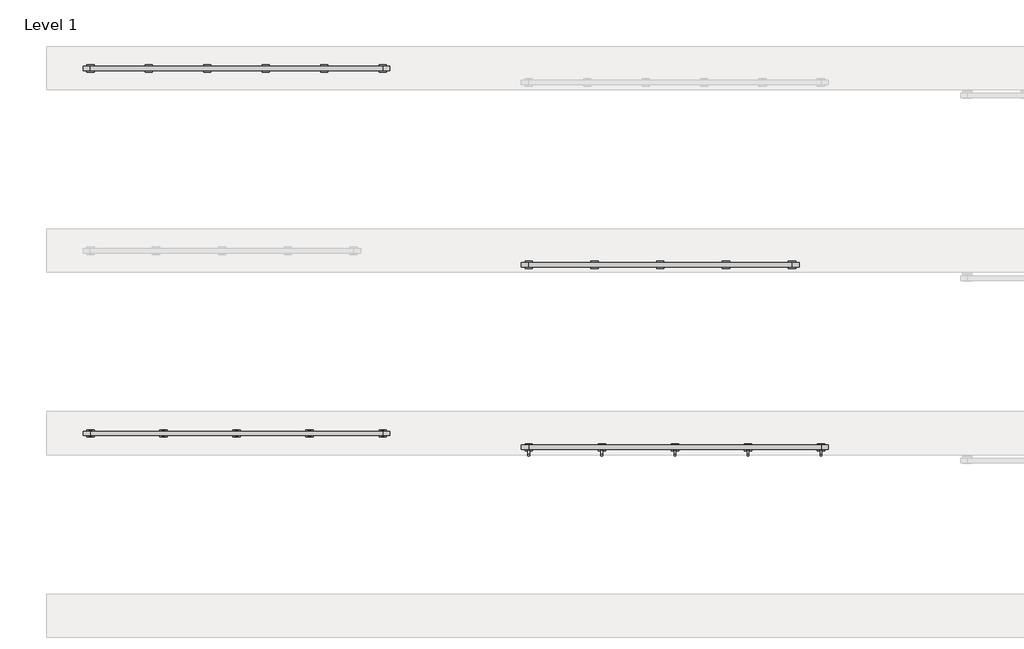
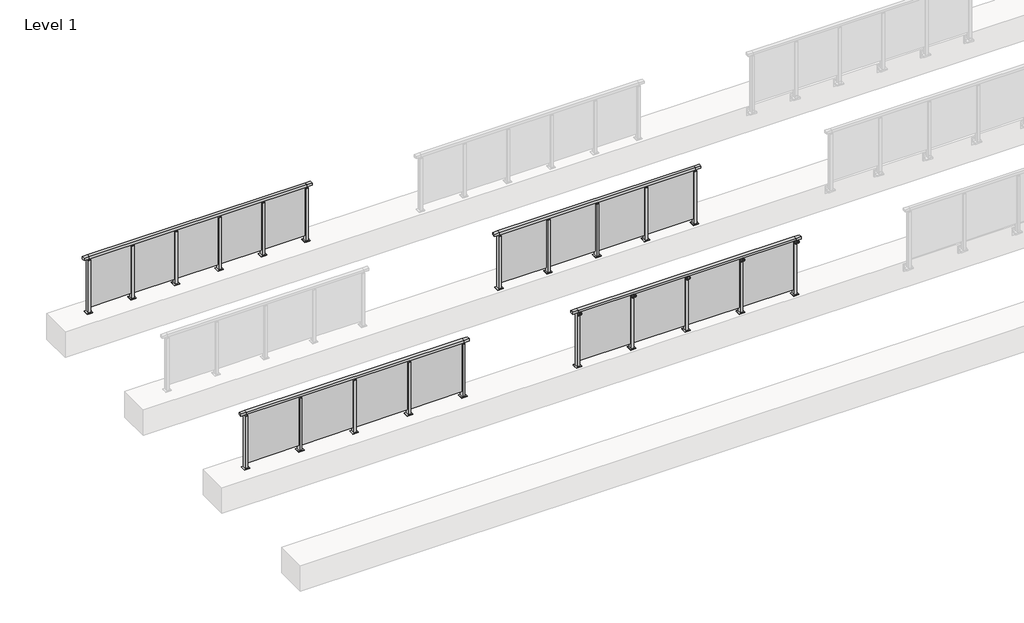
# One storey, part 19 of 37: 4 railings.
"""IFC4 building model written with IfcOpenShell, lengths in millimetres."""

from ifc_helpers import new_model, si_unit, point, frame, frame_2d, origin, origin_with_axes, place, context, project, spatial, polyline, circle_curve, trimmed, segment, composite_curve, outline, extrude, faceted_brep, element, save

model = new_model("IFC4")

# Units and contexts
model_context = context("Model", 3, world=origin())
ifc_project = project(units=[si_unit("LENGTHUNIT", "METRE", prefix="MILLI")], contexts=[model_context])

# Site, building, storey
site = spatial("IfcSite", under=ifc_project)
building = spatial("IfcBuilding", under=site)
storey = spatial("IfcBuildingStorey", under=building, Name="Level 1", Elevation=0.0)

# Railings
placement = place(None, origin())
element("IfcRailing", 1, at=placement, inside=storey, context=model_context, shape_type="SolidModel", body=[
    faceted_brep([(29900.0, 17720.1846828, 1100.0), (29900.0, 17720.1846828, 1055.0), (29900.0, 17660.1846828, 1055.0), (29900.0, 17660.1846828, 1100.0), (30000.0, 17720.1846828, 1100.0), (30000.0, 17720.1846828, 1055.0), (30000.0, 17660.1846828, 1055.0), (30000.0, 17660.1846828, 1100.0), (34000.0, 17720.1846828, 1100.0), (34000.0, 17720.1846828, 1055.0), (34000.0, 17660.1846828, 1055.0), (34000.0, 17660.1846828, 1100.0), (34100.0, 17720.1846828, 1100.0), (34100.0, 17660.1846828, 1100.0), (34100.0, 17660.1846828, 1055.0), (34100.0, 17720.1846828, 1055.0)], [[[0, 1, 2, 3]], [[1, 0, 4, 5]], [[2, 1, 5, 6]], [[3, 2, 6, 7]], [[0, 3, 7, 4]], [[5, 4, 8, 9]], [[6, 5, 9, 10]], [[7, 6, 10, 11]], [[4, 7, 11, 8]], [[12, 13, 14, 15]], [[9, 8, 12, 15]], [[10, 9, 15, 14]], [[11, 10, 14, 13]], [[8, 11, 13, 12]]]),
    extrude(outline(polyline([(33010.0, 17690.9598727), (33990.0, 17690.9598727), (33990.0, 17680.9598727), (33010.0, 17680.9598727), (33010.0, 17690.9598727)])), frame((0.0, 0.0, 95.0), z_axis=(0.0, 0.0, 1.0), x_axis=(1.0, 0.0, 0.0)), (0.0, 0.0, 1.0), 970.0),
    extrude(outline(polyline([(33010.0, 17680.1846828), (32990.0, 17680.1846828), (32990.0, 17700.1846828), (33010.0, 17700.1846828), (33010.0, 17680.1846828)])), frame((0.0, 0.0, 1035.0), z_axis=(0.0, 0.0, 1.0), x_axis=(1.0, 0.0, 0.0)), (0.0, 0.0, 1.0), 20.0),
    extrude(outline(polyline([(33022.5, 17657.6846828), (32977.5, 17657.6846828), (32977.5, 17722.6846828), (33022.5, 17722.6846828), (33022.5, 17657.6846828)])), frame((0.0, 0.0, 1027.0), z_axis=(0.0, 0.0, 1.0), x_axis=(1.0, 0.0, 0.0)), (0.0, 0.0, 1.0), 8.0),
    extrude(outline(polyline([(33050.0, 17640.1846828), (32950.0, 17640.1846828), (32950.0, 17740.1846828), (33050.0, 17740.1846828), (33050.0, 17640.1846828)])), origin_with_axes(), (0.0, 0.0, 1.0), 12.0),
    extrude(outline(polyline([(33022.5, 17657.6846828), (32977.5, 17657.6846828), (32977.5, 17722.6846828), (33022.5, 17722.6846828), (33022.5, 17657.6846828)])), frame((0.0, 0.0, 12.0), z_axis=(0.0, 0.0, 1.0), x_axis=(1.0, 0.0, 0.0)), (0.0, 0.0, 1.0), 1015.0),
    extrude(outline(polyline([(32010.0, 17690.9598727), (32990.0, 17690.9598727), (32990.0, 17680.9598727), (32010.0, 17680.9598727), (32010.0, 17690.9598727)])), frame((0.0, 0.0, 95.0), z_axis=(0.0, 0.0, 1.0), x_axis=(1.0, 0.0, 0.0)), (0.0, 0.0, 1.0), 970.0),
    extrude(outline(polyline([(32010.0, 17680.1846828), (31990.0, 17680.1846828), (31990.0, 17700.1846828), (32010.0, 17700.1846828), (32010.0, 17680.1846828)])), frame((0.0, 0.0, 1035.0), z_axis=(0.0, 0.0, 1.0), x_axis=(1.0, 0.0, 0.0)), (0.0, 0.0, 1.0), 20.0),
    extrude(outline(polyline([(32022.5, 17657.6846828), (31977.5, 17657.6846828), (31977.5, 17722.6846828), (32022.5, 17722.6846828), (32022.5, 17657.6846828)])), frame((0.0, 0.0, 1027.0), z_axis=(0.0, 0.0, 1.0), x_axis=(1.0, 0.0, 0.0)), (0.0, 0.0, 1.0), 8.0),
    extrude(outline(polyline([(32050.0, 17640.1846828), (31950.0, 17640.1846828), (31950.0, 17740.1846828), (32050.0, 17740.1846828), (32050.0, 17640.1846828)])), origin_with_axes(), (0.0, 0.0, 1.0), 12.0),
    extrude(outline(polyline([(32022.5, 17657.6846828), (31977.5, 17657.6846828), (31977.5, 17722.6846828), (32022.5, 17722.6846828), (32022.5, 17657.6846828)])), frame((0.0, 0.0, 12.0), z_axis=(0.0, 0.0, 1.0), x_axis=(1.0, 0.0, 0.0)), (0.0, 0.0, 1.0), 1015.0),
    extrude(outline(polyline([(31010.0, 17690.9598727), (31990.0, 17690.9598727), (31990.0, 17680.9598727), (31010.0, 17680.9598727), (31010.0, 17690.9598727)])), frame((0.0, 0.0, 95.0), z_axis=(0.0, 0.0, 1.0), x_axis=(1.0, 0.0, 0.0)), (0.0, 0.0, 1.0), 970.0),
    extrude(outline(polyline([(31010.0, 17680.1846828), (30990.0, 17680.1846828), (30990.0, 17700.1846828), (31010.0, 17700.1846828), (31010.0, 17680.1846828)])), frame((0.0, 0.0, 1035.0), z_axis=(0.0, 0.0, 1.0), x_axis=(1.0, 0.0, 0.0)), (0.0, 0.0, 1.0), 20.0),
    extrude(outline(polyline([(31022.5, 17657.6846828), (30977.5, 17657.6846828), (30977.5, 17722.6846828), (31022.5, 17722.6846828), (31022.5, 17657.6846828)])), frame((0.0, 0.0, 1027.0), z_axis=(0.0, 0.0, 1.0), x_axis=(1.0, 0.0, 0.0)), (0.0, 0.0, 1.0), 8.0),
    extrude(outline(polyline([(31050.0, 17640.1846828), (30950.0, 17640.1846828), (30950.0, 17740.1846828), (31050.0, 17740.1846828), (31050.0, 17640.1846828)])), origin_with_axes(), (0.0, 0.0, 1.0), 12.0),
    extrude(outline(polyline([(31022.5, 17657.6846828), (30977.5, 17657.6846828), (30977.5, 17722.6846828), (31022.5, 17722.6846828), (31022.5, 17657.6846828)])), frame((0.0, 0.0, 12.0), z_axis=(0.0, 0.0, 1.0), x_axis=(1.0, 0.0, 0.0)), (0.0, 0.0, 1.0), 1015.0),
    extrude(outline(polyline([(30010.0, 17690.9598727), (30990.0, 17690.9598727), (30990.0, 17680.9598727), (30010.0, 17680.9598727), (30010.0, 17690.9598727)])), frame((0.0, 0.0, 95.0), z_axis=(0.0, 0.0, 1.0), x_axis=(1.0, 0.0, 0.0)), (0.0, 0.0, 1.0), 970.0),
    extrude(outline(polyline([(34010.0, 17680.1846828), (33990.0, 17680.1846828), (33990.0, 17700.1846828), (34010.0, 17700.1846828), (34010.0, 17680.1846828)])), frame((0.0, 0.0, 1035.0), z_axis=(0.0, 0.0, 1.0), x_axis=(1.0, 0.0, 0.0)), (0.0, 0.0, 1.0), 20.0),
    extrude(outline(polyline([(34022.5, 17657.6846828), (33977.5, 17657.6846828), (33977.5, 17722.6846828), (34022.5, 17722.6846828), (34022.5, 17657.6846828)])), frame((0.0, 0.0, 1027.0), z_axis=(0.0, 0.0, 1.0), x_axis=(1.0, 0.0, 0.0)), (0.0, 0.0, 1.0), 8.0),
    extrude(outline(polyline([(34050.0, 17640.1846828), (33950.0, 17640.1846828), (33950.0, 17740.1846828), (34050.0, 17740.1846828), (34050.0, 17640.1846828)])), origin_with_axes(), (0.0, 0.0, 1.0), 12.0),
    extrude(outline(polyline([(34022.5, 17657.6846828), (33977.5, 17657.6846828), (33977.5, 17722.6846828), (34022.5, 17722.6846828), (34022.5, 17657.6846828)])), frame((0.0, 0.0, 12.0), z_axis=(0.0, 0.0, 1.0), x_axis=(1.0, 0.0, 0.0)), (0.0, 0.0, 1.0), 1015.0),
    extrude(outline(polyline([(30010.0, 17680.1846828), (29990.0, 17680.1846828), (29990.0, 17700.1846828), (30010.0, 17700.1846828), (30010.0, 17680.1846828)])), frame((0.0, 0.0, 1035.0), z_axis=(0.0, 0.0, 1.0), x_axis=(1.0, 0.0, 0.0)), (0.0, 0.0, 1.0), 20.0),
    extrude(outline(polyline([(30022.5, 17657.6846828), (29977.5, 17657.6846828), (29977.5, 17722.6846828), (30022.5, 17722.6846828), (30022.5, 17657.6846828)])), frame((0.0, 0.0, 1027.0), z_axis=(0.0, 0.0, 1.0), x_axis=(1.0, 0.0, 0.0)), (0.0, 0.0, 1.0), 8.0),
    extrude(outline(polyline([(30050.0, 17640.1846828), (29950.0, 17640.1846828), (29950.0, 17740.1846828), (30050.0, 17740.1846828), (30050.0, 17640.1846828)])), origin_with_axes(), (0.0, 0.0, 1.0), 12.0),
    extrude(outline(polyline([(30022.5, 17657.6846828), (29977.5, 17657.6846828), (29977.5, 17722.6846828), (30022.5, 17722.6846828), (30022.5, 17657.6846828)])), frame((0.0, 0.0, 12.0), z_axis=(0.0, 0.0, 1.0), x_axis=(1.0, 0.0, 0.0)), (0.0, 0.0, 1.0), 1015.0),
])
element("IfcRailing", 2, at=placement, inside=storey, context=model_context, shape_type="SolidModel", body=[
    faceted_brep([(35900.0, 17530.1846828, 1100.0), (35900.0, 17530.1846828, 1055.0), (35900.0, 17470.1846828, 1055.0), (35900.0, 17470.1846828, 1100.0), (36000.0, 17530.1846828, 1100.0), (36000.0, 17530.1846828, 1055.0), (36000.0, 17470.1846828, 1055.0), (36000.0, 17470.1846828, 1100.0), (40000.0, 17530.1846828, 1100.0), (40000.0, 17530.1846828, 1055.0), (40000.0, 17470.1846828, 1055.0), (40000.0, 17470.1846828, 1100.0), (40100.0, 17530.1846828, 1100.0), (40100.0, 17470.1846828, 1100.0), (40100.0, 17470.1846828, 1055.0), (40100.0, 17530.1846828, 1055.0)], [[[0, 1, 2, 3]], [[1, 0, 4, 5]], [[2, 1, 5, 6]], [[3, 2, 6, 7]], [[0, 3, 7, 4]], [[5, 4, 8, 9]], [[6, 5, 9, 10]], [[7, 6, 10, 11]], [[4, 7, 11, 8]], [[12, 13, 14, 15]], [[9, 8, 12, 15]], [[10, 9, 15, 14]], [[11, 10, 14, 13]], [[8, 11, 13, 12]]]),
    extrude(outline(polyline([(39010.0, 17500.9598727), (39990.0, 17500.9598727), (39990.0, 17490.9598727), (39010.0, 17490.9598727), (39010.0, 17500.9598727)])), frame((0.0, 0.0, 95.0), z_axis=(0.0, 0.0, 1.0), x_axis=(1.0, 0.0, 0.0)), (0.0, 0.0, 1.0), 960.0),
    extrude(outline(composite_curve([segment(polyline([(17379.6846828, 1100.0), (17403.6846828, 1100.0), (17403.6846828, 1072.1487483), (17467.6846828, 1055.0), (17467.6846828, 1005.0), (17459.0523072, 1005.0)]), True, "CONTINUOUS"), segment(trimmed(circle_curve(frame_2d((17459.0523072, 1008.0)), 3.0), [point((17459.0523072, 1005.0))], [point((17456.0779726, 1007.6084214))], False, "CARTESIAN"), True, "CONTINUOUS"), segment(polyline([(17456.0779726, 1007.6084214), (17451.4711505, 1042.6007097)]), True, "CONTINUOUS"), segment(trimmed(circle_curve(frame_2d((17441.5567019, 1041.2954478)), 10.0), [point((17451.4711505, 1042.6007097))], [point((17444.1448923, 1050.9547061))], True, "CARTESIAN"), True, "CONTINUOUS"), segment(polyline([(17444.1448923, 1050.9547061), (17387.0964924, 1066.2407787)]), True, "CONTINUOUS"), segment(trimmed(circle_curve(frame_2d((17389.6846828, 1075.900037)), 10.0), [point((17387.0964924, 1066.2407787))], [point((17379.6846828, 1075.900037))], False, "CARTESIAN"), True, "CONTINUOUS"), segment(polyline([(17379.6846828, 1075.900037), (17379.6846828, 1100.0)]), True, "CONTINUOUS")], self_intersect=False)), frame((38987.5, 0.0, 0.0), z_axis=(1.0, 0.0, 0.0), x_axis=(0.0, 1.0, 0.0)), (0.0, 0.0, 1.0), 25.0),
    extrude(outline(polyline([(39022.5, 17467.6846828), (38977.5, 17467.6846828), (38977.5, 17532.6846828), (39022.5, 17532.6846828), (39022.5, 17467.6846828)])), frame((0.0, 0.0, 1055.0), z_axis=(0.0, 0.0, 1.0), x_axis=(1.0, 0.0, 0.0)), (0.0, 0.0, 1.0), 5.0),
    extrude(outline(polyline([(39050.0, 17450.1846828), (38950.0, 17450.1846828), (38950.0, 17550.1846828), (39050.0, 17550.1846828), (39050.0, 17450.1846828)])), origin_with_axes(), (0.0, 0.0, 1.0), 12.0),
    extrude(outline(polyline([(39022.5, 17467.6846828), (38977.5, 17467.6846828), (38977.5, 17532.6846828), (39022.5, 17532.6846828), (39022.5, 17467.6846828)])), frame((0.0, 0.0, 12.0), z_axis=(0.0, 0.0, 1.0), x_axis=(1.0, 0.0, 0.0)), (0.0, 0.0, 1.0), 1043.0),
    extrude(outline(polyline([(38010.0, 17500.9598727), (38990.0, 17500.9598727), (38990.0, 17490.9598727), (38010.0, 17490.9598727), (38010.0, 17500.9598727)])), frame((0.0, 0.0, 95.0), z_axis=(0.0, 0.0, 1.0), x_axis=(1.0, 0.0, 0.0)), (0.0, 0.0, 1.0), 960.0),
    extrude(outline(composite_curve([segment(polyline([(17379.6846828, 1100.0), (17403.6846828, 1100.0), (17403.6846828, 1072.1487483), (17467.6846828, 1055.0), (17467.6846828, 1005.0), (17459.0523072, 1005.0)]), True, "CONTINUOUS"), segment(trimmed(circle_curve(frame_2d((17459.0523072, 1008.0)), 3.0), [point((17459.0523072, 1005.0))], [point((17456.0779726, 1007.6084214))], False, "CARTESIAN"), True, "CONTINUOUS"), segment(polyline([(17456.0779726, 1007.6084214), (17451.4711505, 1042.6007097)]), True, "CONTINUOUS"), segment(trimmed(circle_curve(frame_2d((17441.5567019, 1041.2954478)), 10.0), [point((17451.4711505, 1042.6007097))], [point((17444.1448923, 1050.9547061))], True, "CARTESIAN"), True, "CONTINUOUS"), segment(polyline([(17444.1448923, 1050.9547061), (17387.0964924, 1066.2407787)]), True, "CONTINUOUS"), segment(trimmed(circle_curve(frame_2d((17389.6846828, 1075.900037)), 10.0), [point((17387.0964924, 1066.2407787))], [point((17379.6846828, 1075.900037))], False, "CARTESIAN"), True, "CONTINUOUS"), segment(polyline([(17379.6846828, 1075.900037), (17379.6846828, 1100.0)]), True, "CONTINUOUS")], self_intersect=False)), frame((37987.5, 0.0, 0.0), z_axis=(1.0, 0.0, 0.0), x_axis=(0.0, 1.0, 0.0)), (0.0, 0.0, 1.0), 25.0),
    extrude(outline(polyline([(38022.5, 17467.6846828), (37977.5, 17467.6846828), (37977.5, 17532.6846828), (38022.5, 17532.6846828), (38022.5, 17467.6846828)])), frame((0.0, 0.0, 1055.0), z_axis=(0.0, 0.0, 1.0), x_axis=(1.0, 0.0, 0.0)), (0.0, 0.0, 1.0), 5.0),
    extrude(outline(polyline([(38050.0, 17450.1846828), (37950.0, 17450.1846828), (37950.0, 17550.1846828), (38050.0, 17550.1846828), (38050.0, 17450.1846828)])), origin_with_axes(), (0.0, 0.0, 1.0), 12.0),
    extrude(outline(polyline([(38022.5, 17467.6846828), (37977.5, 17467.6846828), (37977.5, 17532.6846828), (38022.5, 17532.6846828), (38022.5, 17467.6846828)])), frame((0.0, 0.0, 12.0), z_axis=(0.0, 0.0, 1.0), x_axis=(1.0, 0.0, 0.0)), (0.0, 0.0, 1.0), 1043.0),
    extrude(outline(polyline([(37010.0, 17500.9598727), (37990.0, 17500.9598727), (37990.0, 17490.9598727), (37010.0, 17490.9598727), (37010.0, 17500.9598727)])), frame((0.0, 0.0, 95.0), z_axis=(0.0, 0.0, 1.0), x_axis=(1.0, 0.0, 0.0)), (0.0, 0.0, 1.0), 960.0),
    extrude(outline(composite_curve([segment(polyline([(17379.6846828, 1100.0), (17403.6846828, 1100.0), (17403.6846828, 1072.1487483), (17467.6846828, 1055.0), (17467.6846828, 1005.0), (17459.0523072, 1005.0)]), True, "CONTINUOUS"), segment(trimmed(circle_curve(frame_2d((17459.0523072, 1008.0)), 3.0), [point((17459.0523072, 1005.0))], [point((17456.0779726, 1007.6084214))], False, "CARTESIAN"), True, "CONTINUOUS"), segment(polyline([(17456.0779726, 1007.6084214), (17451.4711505, 1042.6007097)]), True, "CONTINUOUS"), segment(trimmed(circle_curve(frame_2d((17441.5567019, 1041.2954478)), 10.0), [point((17451.4711505, 1042.6007097))], [point((17444.1448923, 1050.9547061))], True, "CARTESIAN"), True, "CONTINUOUS"), segment(polyline([(17444.1448923, 1050.9547061), (17387.0964924, 1066.2407787)]), True, "CONTINUOUS"), segment(trimmed(circle_curve(frame_2d((17389.6846828, 1075.900037)), 10.0), [point((17387.0964924, 1066.2407787))], [point((17379.6846828, 1075.900037))], False, "CARTESIAN"), True, "CONTINUOUS"), segment(polyline([(17379.6846828, 1075.900037), (17379.6846828, 1100.0)]), True, "CONTINUOUS")], self_intersect=False)), frame((36987.5, 0.0, 0.0), z_axis=(1.0, 0.0, 0.0), x_axis=(0.0, 1.0, 0.0)), (0.0, 0.0, 1.0), 25.0),
    extrude(outline(polyline([(37022.5, 17467.6846828), (36977.5, 17467.6846828), (36977.5, 17532.6846828), (37022.5, 17532.6846828), (37022.5, 17467.6846828)])), frame((0.0, 0.0, 1055.0), z_axis=(0.0, 0.0, 1.0), x_axis=(1.0, 0.0, 0.0)), (0.0, 0.0, 1.0), 5.0),
    extrude(outline(polyline([(37050.0, 17450.1846828), (36950.0, 17450.1846828), (36950.0, 17550.1846828), (37050.0, 17550.1846828), (37050.0, 17450.1846828)])), origin_with_axes(), (0.0, 0.0, 1.0), 12.0),
    extrude(outline(polyline([(37022.5, 17467.6846828), (36977.5, 17467.6846828), (36977.5, 17532.6846828), (37022.5, 17532.6846828), (37022.5, 17467.6846828)])), frame((0.0, 0.0, 12.0), z_axis=(0.0, 0.0, 1.0), x_axis=(1.0, 0.0, 0.0)), (0.0, 0.0, 1.0), 1043.0),
    extrude(outline(polyline([(36010.0, 17500.9598727), (36990.0, 17500.9598727), (36990.0, 17490.9598727), (36010.0, 17490.9598727), (36010.0, 17500.9598727)])), frame((0.0, 0.0, 95.0), z_axis=(0.0, 0.0, 1.0), x_axis=(1.0, 0.0, 0.0)), (0.0, 0.0, 1.0), 960.0),
    extrude(outline(composite_curve([segment(polyline([(17379.6846828, 1100.0), (17403.6846828, 1100.0), (17403.6846828, 1072.1487483), (17467.6846828, 1055.0), (17467.6846828, 1005.0), (17459.0523072, 1005.0)]), True, "CONTINUOUS"), segment(trimmed(circle_curve(frame_2d((17459.0523072, 1008.0)), 3.0), [point((17459.0523072, 1005.0))], [point((17456.0779726, 1007.6084214))], False, "CARTESIAN"), True, "CONTINUOUS"), segment(polyline([(17456.0779726, 1007.6084214), (17451.4711505, 1042.6007097)]), True, "CONTINUOUS"), segment(trimmed(circle_curve(frame_2d((17441.5567019, 1041.2954478)), 10.0), [point((17451.4711505, 1042.6007097))], [point((17444.1448923, 1050.9547061))], True, "CARTESIAN"), True, "CONTINUOUS"), segment(polyline([(17444.1448923, 1050.9547061), (17387.0964924, 1066.2407787)]), True, "CONTINUOUS"), segment(trimmed(circle_curve(frame_2d((17389.6846828, 1075.900037)), 10.0), [point((17387.0964924, 1066.2407787))], [point((17379.6846828, 1075.900037))], False, "CARTESIAN"), True, "CONTINUOUS"), segment(polyline([(17379.6846828, 1075.900037), (17379.6846828, 1100.0)]), True, "CONTINUOUS")], self_intersect=False)), frame((39987.5, 0.0, 0.0), z_axis=(1.0, 0.0, 0.0), x_axis=(0.0, 1.0, 0.0)), (0.0, 0.0, 1.0), 25.0),
    extrude(outline(polyline([(40022.5, 17467.6846828), (39977.5, 17467.6846828), (39977.5, 17532.6846828), (40022.5, 17532.6846828), (40022.5, 17467.6846828)])), frame((0.0, 0.0, 1055.0), z_axis=(0.0, 0.0, 1.0), x_axis=(1.0, 0.0, 0.0)), (0.0, 0.0, 1.0), 5.0),
    extrude(outline(polyline([(40050.0, 17450.1846828), (39950.0, 17450.1846828), (39950.0, 17550.1846828), (40050.0, 17550.1846828), (40050.0, 17450.1846828)])), origin_with_axes(), (0.0, 0.0, 1.0), 12.0),
    extrude(outline(polyline([(40022.5, 17467.6846828), (39977.5, 17467.6846828), (39977.5, 17532.6846828), (40022.5, 17532.6846828), (40022.5, 17467.6846828)])), frame((0.0, 0.0, 12.0), z_axis=(0.0, 0.0, 1.0), x_axis=(1.0, 0.0, 0.0)), (0.0, 0.0, 1.0), 1043.0),
    extrude(outline(composite_curve([segment(polyline([(17379.6846828, 1100.0), (17403.6846828, 1100.0), (17403.6846828, 1072.1487483), (17467.6846828, 1055.0), (17467.6846828, 1005.0), (17459.0523072, 1005.0)]), True, "CONTINUOUS"), segment(trimmed(circle_curve(frame_2d((17459.0523072, 1008.0)), 3.0), [point((17459.0523072, 1005.0))], [point((17456.0779726, 1007.6084214))], False, "CARTESIAN"), True, "CONTINUOUS"), segment(polyline([(17456.0779726, 1007.6084214), (17451.4711505, 1042.6007097)]), True, "CONTINUOUS"), segment(trimmed(circle_curve(frame_2d((17441.5567019, 1041.2954478)), 10.0), [point((17451.4711505, 1042.6007097))], [point((17444.1448923, 1050.9547061))], True, "CARTESIAN"), True, "CONTINUOUS"), segment(polyline([(17444.1448923, 1050.9547061), (17387.0964924, 1066.2407787)]), True, "CONTINUOUS"), segment(trimmed(circle_curve(frame_2d((17389.6846828, 1075.900037)), 10.0), [point((17387.0964924, 1066.2407787))], [point((17379.6846828, 1075.900037))], False, "CARTESIAN"), True, "CONTINUOUS"), segment(polyline([(17379.6846828, 1075.900037), (17379.6846828, 1100.0)]), True, "CONTINUOUS")], self_intersect=False)), frame((35987.5, 0.0, 0.0), z_axis=(1.0, 0.0, 0.0), x_axis=(0.0, 1.0, 0.0)), (0.0, 0.0, 1.0), 25.0),
    extrude(outline(polyline([(36022.5, 17467.6846828), (35977.5, 17467.6846828), (35977.5, 17532.6846828), (36022.5, 17532.6846828), (36022.5, 17467.6846828)])), frame((0.0, 0.0, 1055.0), z_axis=(0.0, 0.0, 1.0), x_axis=(1.0, 0.0, 0.0)), (0.0, 0.0, 1.0), 5.0),
    extrude(outline(polyline([(36050.0, 17450.1846828), (35950.0, 17450.1846828), (35950.0, 17550.1846828), (36050.0, 17550.1846828), (36050.0, 17450.1846828)])), origin_with_axes(), (0.0, 0.0, 1.0), 12.0),
    extrude(outline(polyline([(36022.5, 17467.6846828), (35977.5, 17467.6846828), (35977.5, 17532.6846828), (36022.5, 17532.6846828), (36022.5, 17467.6846828)])), frame((0.0, 0.0, 12.0), z_axis=(0.0, 0.0, 1.0), x_axis=(1.0, 0.0, 0.0)), (0.0, 0.0, 1.0), 1043.0),
])
element("IfcRailing", 3, at=placement, inside=storey, context=model_context, shape_type="SolidModel", body=[
    faceted_brep([(36000.0, 20030.1846828, 1055.0), (36000.0, 20030.1846828, 1100.0), (39600.0, 20030.1846828, 1100.0), (39600.0, 20030.1846828, 1055.0), (36000.0, 19970.1846828, 1055.0), (39600.0, 19970.1846828, 1055.0), (36000.0, 19970.1846828, 1100.0), (39600.0, 19970.1846828, 1100.0), (35900.0, 20030.1846828, 1100.0), (35900.0, 20030.1846828, 1055.0), (35900.0, 19970.1846828, 1055.0), (35900.0, 19970.1846828, 1100.0), (39700.0, 20030.1846828, 1100.0), (39700.0, 19970.1846828, 1100.0), (39700.0, 19970.1846828, 1055.0), (39700.0, 20030.1846828, 1055.0)], [[[0, 1, 2, 3]], [[4, 0, 3, 5]], [[6, 4, 5, 7]], [[1, 6, 7, 2]], [[8, 9, 10, 11]], [[9, 8, 1, 0]], [[10, 9, 0, 4]], [[11, 10, 4, 6]], [[8, 11, 6, 1]], [[12, 13, 14, 15]], [[3, 2, 12, 15]], [[5, 3, 15, 14]], [[7, 5, 14, 13]], [[2, 7, 13, 12]]]),
    extrude(outline(polyline([(38710.0, 20005.9598727), (39590.0, 20005.9598727), (39590.0, 19995.9598727), (38710.0, 19995.9598727), (38710.0, 20005.9598727)])), frame((0.0, 0.0, 95.0), z_axis=(0.0, 0.0, 1.0), x_axis=(1.0, 0.0, 0.0)), (0.0, 0.0, 1.0), 960.0),
    extrude(outline(polyline([(38710.0, 19990.1846828), (38690.0, 19990.1846828), (38690.0, 20010.1846828), (38710.0, 20010.1846828), (38710.0, 19990.1846828)])), frame((0.0, 0.0, 1035.0), z_axis=(0.0, 0.0, 1.0), x_axis=(1.0, 0.0, 0.0)), (0.0, 0.0, 1.0), 20.0),
    extrude(outline(polyline([(38722.5, 19967.6846828), (38677.5, 19967.6846828), (38677.5, 20032.6846828), (38722.5, 20032.6846828), (38722.5, 19967.6846828)])), frame((0.0, 0.0, 1027.0), z_axis=(0.0, 0.0, 1.0), x_axis=(1.0, 0.0, 0.0)), (0.0, 0.0, 1.0), 8.0),
    extrude(outline(polyline([(38750.0, 19950.1846828), (38650.0, 19950.1846828), (38650.0, 20050.1846828), (38750.0, 20050.1846828), (38750.0, 19950.1846828)])), origin_with_axes(), (0.0, 0.0, 1.0), 12.0),
    extrude(outline(polyline([(38722.5, 19967.6846828), (38677.5, 19967.6846828), (38677.5, 20032.6846828), (38722.5, 20032.6846828), (38722.5, 19967.6846828)])), frame((0.0, 0.0, 12.0), z_axis=(0.0, 0.0, 1.0), x_axis=(1.0, 0.0, 0.0)), (0.0, 0.0, 1.0), 1015.0),
    extrude(outline(polyline([(37810.0, 20005.9598727), (38690.0, 20005.9598727), (38690.0, 19995.9598727), (37810.0, 19995.9598727), (37810.0, 20005.9598727)])), frame((0.0, 0.0, 95.0), z_axis=(0.0, 0.0, 1.0), x_axis=(1.0, 0.0, 0.0)), (0.0, 0.0, 1.0), 960.0),
    extrude(outline(polyline([(37810.0, 19990.1846828), (37790.0, 19990.1846828), (37790.0, 20010.1846828), (37810.0, 20010.1846828), (37810.0, 19990.1846828)])), frame((0.0, 0.0, 1035.0), z_axis=(0.0, 0.0, 1.0), x_axis=(1.0, 0.0, 0.0)), (0.0, 0.0, 1.0), 20.0),
    extrude(outline(polyline([(37822.5, 19967.6846828), (37777.5, 19967.6846828), (37777.5, 20032.6846828), (37822.5, 20032.6846828), (37822.5, 19967.6846828)])), frame((0.0, 0.0, 1027.0), z_axis=(0.0, 0.0, 1.0), x_axis=(1.0, 0.0, 0.0)), (0.0, 0.0, 1.0), 8.0),
    extrude(outline(polyline([(37850.0, 19950.1846828), (37750.0, 19950.1846828), (37750.0, 20050.1846828), (37850.0, 20050.1846828), (37850.0, 19950.1846828)])), origin_with_axes(), (0.0, 0.0, 1.0), 12.0),
    extrude(outline(polyline([(37822.5, 19967.6846828), (37777.5, 19967.6846828), (37777.5, 20032.6846828), (37822.5, 20032.6846828), (37822.5, 19967.6846828)])), frame((0.0, 0.0, 12.0), z_axis=(0.0, 0.0, 1.0), x_axis=(1.0, 0.0, 0.0)), (0.0, 0.0, 1.0), 1015.0),
    extrude(outline(polyline([(36910.0, 20005.9598727), (37790.0, 20005.9598727), (37790.0, 19995.9598727), (36910.0, 19995.9598727), (36910.0, 20005.9598727)])), frame((0.0, 0.0, 95.0), z_axis=(0.0, 0.0, 1.0), x_axis=(1.0, 0.0, 0.0)), (0.0, 0.0, 1.0), 960.0),
    extrude(outline(polyline([(36910.0, 19990.1846828), (36890.0, 19990.1846828), (36890.0, 20010.1846828), (36910.0, 20010.1846828), (36910.0, 19990.1846828)])), frame((0.0, 0.0, 1035.0), z_axis=(0.0, 0.0, 1.0), x_axis=(1.0, 0.0, 0.0)), (0.0, 0.0, 1.0), 20.0),
    extrude(outline(polyline([(36922.5, 19967.6846828), (36877.5, 19967.6846828), (36877.5, 20032.6846828), (36922.5, 20032.6846828), (36922.5, 19967.6846828)])), frame((0.0, 0.0, 1027.0), z_axis=(0.0, 0.0, 1.0), x_axis=(1.0, 0.0, 0.0)), (0.0, 0.0, 1.0), 8.0),
    extrude(outline(polyline([(36950.0, 19950.1846828), (36850.0, 19950.1846828), (36850.0, 20050.1846828), (36950.0, 20050.1846828), (36950.0, 19950.1846828)])), origin_with_axes(), (0.0, 0.0, 1.0), 12.0),
    extrude(outline(polyline([(36922.5, 19967.6846828), (36877.5, 19967.6846828), (36877.5, 20032.6846828), (36922.5, 20032.6846828), (36922.5, 19967.6846828)])), frame((0.0, 0.0, 12.0), z_axis=(0.0, 0.0, 1.0), x_axis=(1.0, 0.0, 0.0)), (0.0, 0.0, 1.0), 1015.0),
    extrude(outline(polyline([(36010.0, 20005.9598727), (36890.0, 20005.9598727), (36890.0, 19995.9598727), (36010.0, 19995.9598727), (36010.0, 20005.9598727)])), frame((0.0, 0.0, 95.0), z_axis=(0.0, 0.0, 1.0), x_axis=(1.0, 0.0, 0.0)), (0.0, 0.0, 1.0), 960.0),
    extrude(outline(polyline([(39610.0, 19990.1846828), (39590.0, 19990.1846828), (39590.0, 20010.1846828), (39610.0, 20010.1846828), (39610.0, 19990.1846828)])), frame((0.0, 0.0, 1035.0), z_axis=(0.0, 0.0, 1.0), x_axis=(1.0, 0.0, 0.0)), (0.0, 0.0, 1.0), 20.0),
    extrude(outline(polyline([(39622.5, 19967.6846828), (39577.5, 19967.6846828), (39577.5, 20032.6846828), (39622.5, 20032.6846828), (39622.5, 19967.6846828)])), frame((0.0, 0.0, 1027.0), z_axis=(0.0, 0.0, 1.0), x_axis=(1.0, 0.0, 0.0)), (0.0, 0.0, 1.0), 8.0),
    extrude(outline(polyline([(39650.0, 19950.1846828), (39550.0, 19950.1846828), (39550.0, 20050.1846828), (39650.0, 20050.1846828), (39650.0, 19950.1846828)])), origin_with_axes(), (0.0, 0.0, 1.0), 12.0),
    extrude(outline(polyline([(39622.5, 19967.6846828), (39577.5, 19967.6846828), (39577.5, 20032.6846828), (39622.5, 20032.6846828), (39622.5, 19967.6846828)])), frame((0.0, 0.0, 12.0), z_axis=(0.0, 0.0, 1.0), x_axis=(1.0, 0.0, 0.0)), (0.0, 0.0, 1.0), 1015.0),
    extrude(outline(polyline([(36010.0, 19990.1846828), (35990.0, 19990.1846828), (35990.0, 20010.1846828), (36010.0, 20010.1846828), (36010.0, 19990.1846828)])), frame((0.0, 0.0, 1035.0), z_axis=(0.0, 0.0, 1.0), x_axis=(1.0, 0.0, 0.0)), (0.0, 0.0, 1.0), 20.0),
    extrude(outline(polyline([(36022.5, 19967.6846828), (35977.5, 19967.6846828), (35977.5, 20032.6846828), (36022.5, 20032.6846828), (36022.5, 19967.6846828)])), frame((0.0, 0.0, 1027.0), z_axis=(0.0, 0.0, 1.0), x_axis=(1.0, 0.0, 0.0)), (0.0, 0.0, 1.0), 8.0),
    extrude(outline(polyline([(36050.0, 19950.1846828), (35950.0, 19950.1846828), (35950.0, 20050.1846828), (36050.0, 20050.1846828), (36050.0, 19950.1846828)])), origin_with_axes(), (0.0, 0.0, 1.0), 12.0),
    extrude(outline(polyline([(36022.5, 19967.6846828), (35977.5, 19967.6846828), (35977.5, 20032.6846828), (36022.5, 20032.6846828), (36022.5, 19967.6846828)])), frame((0.0, 0.0, 12.0), z_axis=(0.0, 0.0, 1.0), x_axis=(1.0, 0.0, 0.0)), (0.0, 0.0, 1.0), 1015.0),
])
element("IfcRailing", 4, at=placement, inside=storey, context=model_context, shape_type="SolidModel", body=[
    faceted_brep([(30000.0, 22720.1846828, 1055.0), (30000.0, 22720.1846828, 1100.0), (34000.0, 22720.1846828, 1100.0), (34000.0, 22720.1846828, 1055.0), (30000.0, 22660.1846828, 1055.0), (34000.0, 22660.1846828, 1055.0), (30000.0, 22660.1846828, 1100.0), (34000.0, 22660.1846828, 1100.0), (29900.0, 22720.1846828, 1100.0), (29900.0, 22720.1846828, 1055.0), (29900.0, 22660.1846828, 1055.0), (29900.0, 22660.1846828, 1100.0), (34100.0, 22720.1846828, 1100.0), (34100.0, 22660.1846828, 1100.0), (34100.0, 22660.1846828, 1055.0), (34100.0, 22720.1846828, 1055.0)], [[[0, 1, 2, 3]], [[4, 0, 3, 5]], [[6, 4, 5, 7]], [[1, 6, 7, 2]], [[8, 9, 10, 11]], [[9, 8, 1, 0]], [[10, 9, 0, 4]], [[11, 10, 4, 6]], [[8, 11, 6, 1]], [[12, 13, 14, 15]], [[3, 2, 12, 15]], [[5, 3, 15, 14]], [[7, 5, 14, 13]], [[2, 7, 13, 12]]]),
    extrude(outline(polyline([(33210.0, 22695.9598727), (33990.0, 22695.9598727), (33990.0, 22685.9598727), (33210.0, 22685.9598727), (33210.0, 22695.9598727)])), frame((0.0, 0.0, 95.0), z_axis=(0.0, 0.0, 1.0), x_axis=(1.0, 0.0, 0.0)), (0.0, 0.0, 1.0), 960.0),
    extrude(outline(polyline([(33210.0, 22680.1846828), (33190.0, 22680.1846828), (33190.0, 22700.1846828), (33210.0, 22700.1846828), (33210.0, 22680.1846828)])), frame((0.0, 0.0, 1035.0), z_axis=(0.0, 0.0, 1.0), x_axis=(1.0, 0.0, 0.0)), (0.0, 0.0, 1.0), 20.0),
    extrude(outline(polyline([(33222.5, 22657.6846828), (33177.5, 22657.6846828), (33177.5, 22722.6846828), (33222.5, 22722.6846828), (33222.5, 22657.6846828)])), frame((0.0, 0.0, 1027.0), z_axis=(0.0, 0.0, 1.0), x_axis=(1.0, 0.0, 0.0)), (0.0, 0.0, 1.0), 8.0),
    extrude(outline(polyline([(33250.0, 22640.1846828), (33150.0, 22640.1846828), (33150.0, 22740.1846828), (33250.0, 22740.1846828), (33250.0, 22640.1846828)])), origin_with_axes(), (0.0, 0.0, 1.0), 12.0),
    extrude(outline(polyline([(33222.5, 22657.6846828), (33177.5, 22657.6846828), (33177.5, 22722.6846828), (33222.5, 22722.6846828), (33222.5, 22657.6846828)])), frame((0.0, 0.0, 12.0), z_axis=(0.0, 0.0, 1.0), x_axis=(1.0, 0.0, 0.0)), (0.0, 0.0, 1.0), 1015.0),
    extrude(outline(polyline([(32410.0, 22695.9598727), (33190.0, 22695.9598727), (33190.0, 22685.9598727), (32410.0, 22685.9598727), (32410.0, 22695.9598727)])), frame((0.0, 0.0, 95.0), z_axis=(0.0, 0.0, 1.0), x_axis=(1.0, 0.0, 0.0)), (0.0, 0.0, 1.0), 960.0),
    extrude(outline(polyline([(32410.0, 22680.1846828), (32390.0, 22680.1846828), (32390.0, 22700.1846828), (32410.0, 22700.1846828), (32410.0, 22680.1846828)])), frame((0.0, 0.0, 1035.0), z_axis=(0.0, 0.0, 1.0), x_axis=(1.0, 0.0, 0.0)), (0.0, 0.0, 1.0), 20.0),
    extrude(outline(polyline([(32422.5, 22657.6846828), (32377.5, 22657.6846828), (32377.5, 22722.6846828), (32422.5, 22722.6846828), (32422.5, 22657.6846828)])), frame((0.0, 0.0, 1027.0), z_axis=(0.0, 0.0, 1.0), x_axis=(1.0, 0.0, 0.0)), (0.0, 0.0, 1.0), 8.0),
    extrude(outline(polyline([(32450.0, 22640.1846828), (32350.0, 22640.1846828), (32350.0, 22740.1846828), (32450.0, 22740.1846828), (32450.0, 22640.1846828)])), origin_with_axes(), (0.0, 0.0, 1.0), 12.0),
    extrude(outline(polyline([(32422.5, 22657.6846828), (32377.5, 22657.6846828), (32377.5, 22722.6846828), (32422.5, 22722.6846828), (32422.5, 22657.6846828)])), frame((0.0, 0.0, 12.0), z_axis=(0.0, 0.0, 1.0), x_axis=(1.0, 0.0, 0.0)), (0.0, 0.0, 1.0), 1015.0),
    extrude(outline(polyline([(31610.0, 22695.9598727), (32390.0, 22695.9598727), (32390.0, 22685.9598727), (31610.0, 22685.9598727), (31610.0, 22695.9598727)])), frame((0.0, 0.0, 95.0), z_axis=(0.0, 0.0, 1.0), x_axis=(1.0, 0.0, 0.0)), (0.0, 0.0, 1.0), 960.0),
    extrude(outline(polyline([(31610.0, 22680.1846828), (31590.0, 22680.1846828), (31590.0, 22700.1846828), (31610.0, 22700.1846828), (31610.0, 22680.1846828)])), frame((0.0, 0.0, 1035.0), z_axis=(0.0, 0.0, 1.0), x_axis=(1.0, 0.0, 0.0)), (0.0, 0.0, 1.0), 20.0),
    extrude(outline(polyline([(31622.5, 22657.6846828), (31577.5, 22657.6846828), (31577.5, 22722.6846828), (31622.5, 22722.6846828), (31622.5, 22657.6846828)])), frame((0.0, 0.0, 1027.0), z_axis=(0.0, 0.0, 1.0), x_axis=(1.0, 0.0, 0.0)), (0.0, 0.0, 1.0), 8.0),
    extrude(outline(polyline([(31650.0, 22640.1846828), (31550.0, 22640.1846828), (31550.0, 22740.1846828), (31650.0, 22740.1846828), (31650.0, 22640.1846828)])), origin_with_axes(), (0.0, 0.0, 1.0), 12.0),
    extrude(outline(polyline([(31622.5, 22657.6846828), (31577.5, 22657.6846828), (31577.5, 22722.6846828), (31622.5, 22722.6846828), (31622.5, 22657.6846828)])), frame((0.0, 0.0, 12.0), z_axis=(0.0, 0.0, 1.0), x_axis=(1.0, 0.0, 0.0)), (0.0, 0.0, 1.0), 1015.0),
    extrude(outline(polyline([(30810.0, 22695.9598727), (31590.0, 22695.9598727), (31590.0, 22685.9598727), (30810.0, 22685.9598727), (30810.0, 22695.9598727)])), frame((0.0, 0.0, 95.0), z_axis=(0.0, 0.0, 1.0), x_axis=(1.0, 0.0, 0.0)), (0.0, 0.0, 1.0), 960.0),
    extrude(outline(polyline([(30810.0, 22680.1846828), (30790.0, 22680.1846828), (30790.0, 22700.1846828), (30810.0, 22700.1846828), (30810.0, 22680.1846828)])), frame((0.0, 0.0, 1035.0), z_axis=(0.0, 0.0, 1.0), x_axis=(1.0, 0.0, 0.0)), (0.0, 0.0, 1.0), 20.0),
    extrude(outline(polyline([(30822.5, 22657.6846828), (30777.5, 22657.6846828), (30777.5, 22722.6846828), (30822.5, 22722.6846828), (30822.5, 22657.6846828)])), frame((0.0, 0.0, 1027.0), z_axis=(0.0, 0.0, 1.0), x_axis=(1.0, 0.0, 0.0)), (0.0, 0.0, 1.0), 8.0),
    extrude(outline(polyline([(30850.0, 22640.1846828), (30750.0, 22640.1846828), (30750.0, 22740.1846828), (30850.0, 22740.1846828), (30850.0, 22640.1846828)])), origin_with_axes(), (0.0, 0.0, 1.0), 12.0),
    extrude(outline(polyline([(30822.5, 22657.6846828), (30777.5, 22657.6846828), (30777.5, 22722.6846828), (30822.5, 22722.6846828), (30822.5, 22657.6846828)])), frame((0.0, 0.0, 12.0), z_axis=(0.0, 0.0, 1.0), x_axis=(1.0, 0.0, 0.0)), (0.0, 0.0, 1.0), 1015.0),
    extrude(outline(polyline([(30010.0, 22695.9598727), (30790.0, 22695.9598727), (30790.0, 22685.9598727), (30010.0, 22685.9598727), (30010.0, 22695.9598727)])), frame((0.0, 0.0, 95.0), z_axis=(0.0, 0.0, 1.0), x_axis=(1.0, 0.0, 0.0)), (0.0, 0.0, 1.0), 960.0),
    extrude(outline(polyline([(34010.0, 22680.1846828), (33990.0, 22680.1846828), (33990.0, 22700.1846828), (34010.0, 22700.1846828), (34010.0, 22680.1846828)])), frame((0.0, 0.0, 1035.0), z_axis=(0.0, 0.0, 1.0), x_axis=(1.0, 0.0, 0.0)), (0.0, 0.0, 1.0), 20.0),
    extrude(outline(polyline([(34022.5, 22657.6846828), (33977.5, 22657.6846828), (33977.5, 22722.6846828), (34022.5, 22722.6846828), (34022.5, 22657.6846828)])), frame((0.0, 0.0, 1027.0), z_axis=(0.0, 0.0, 1.0), x_axis=(1.0, 0.0, 0.0)), (0.0, 0.0, 1.0), 8.0),
    extrude(outline(polyline([(34050.0, 22640.1846828), (33950.0, 22640.1846828), (33950.0, 22740.1846828), (34050.0, 22740.1846828), (34050.0, 22640.1846828)])), origin_with_axes(), (0.0, 0.0, 1.0), 12.0),
    extrude(outline(polyline([(34022.5, 22657.6846828), (33977.5, 22657.6846828), (33977.5, 22722.6846828), (34022.5, 22722.6846828), (34022.5, 22657.6846828)])), frame((0.0, 0.0, 12.0), z_axis=(0.0, 0.0, 1.0), x_axis=(1.0, 0.0, 0.0)), (0.0, 0.0, 1.0), 1015.0),
    extrude(outline(polyline([(30010.0, 22680.1846828), (29990.0, 22680.1846828), (29990.0, 22700.1846828), (30010.0, 22700.1846828), (30010.0, 22680.1846828)])), frame((0.0, 0.0, 1035.0), z_axis=(0.0, 0.0, 1.0), x_axis=(1.0, 0.0, 0.0)), (0.0, 0.0, 1.0), 20.0),
    extrude(outline(polyline([(30022.5, 22657.6846828), (29977.5, 22657.6846828), (29977.5, 22722.6846828), (30022.5, 22722.6846828), (30022.5, 22657.6846828)])), frame((0.0, 0.0, 1027.0), z_axis=(0.0, 0.0, 1.0), x_axis=(1.0, 0.0, 0.0)), (0.0, 0.0, 1.0), 8.0),
    extrude(outline(polyline([(30050.0, 22640.1846828), (29950.0, 22640.1846828), (29950.0, 22740.1846828), (30050.0, 22740.1846828), (30050.0, 22640.1846828)])), origin_with_axes(), (0.0, 0.0, 1.0), 12.0),
    extrude(outline(polyline([(30022.5, 22657.6846828), (29977.5, 22657.6846828), (29977.5, 22722.6846828), (30022.5, 22722.6846828), (30022.5, 22657.6846828)])), frame((0.0, 0.0, 12.0), z_axis=(0.0, 0.0, 1.0), x_axis=(1.0, 0.0, 0.0)), (0.0, 0.0, 1.0), 1015.0),
])

save(model, "model.ifc")
